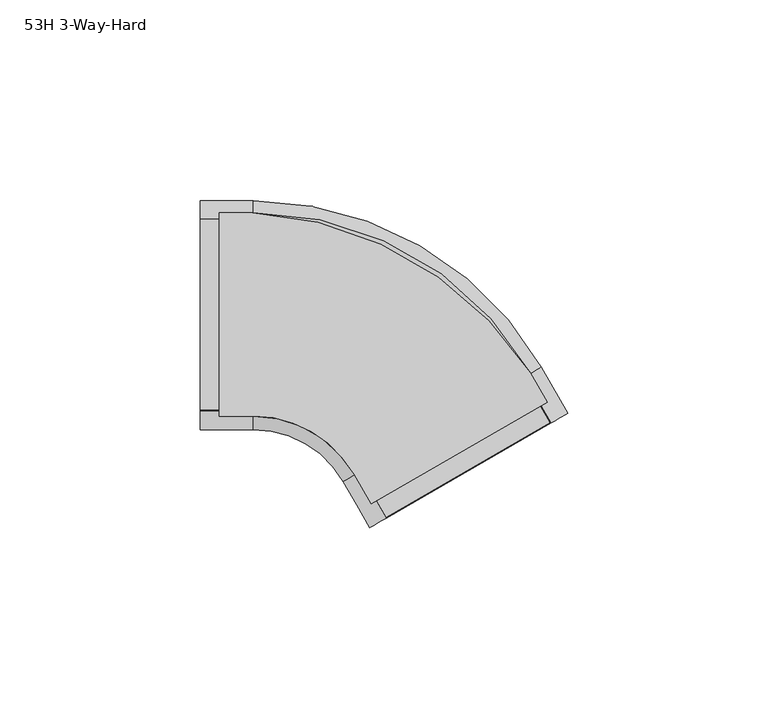
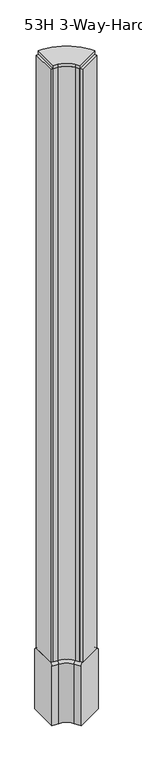
"""IFC4 building model written with IfcOpenShell, lengths in millimetres: furniture geometry, 53H 3-Way-Hard."""

from ifc_helpers import new_model, si_unit, point, frame, frame_2d, origin, place, context, project, spatial, polyline, circle_curve, ellipse_curve, trimmed, segment, composite_curve, outline, extrude, source, transform, mapped, element, save
from ifc_brep_helpers import plane_surface, cylinder_surface, revolved_surface, advanced_brep


def furniture_53h_3_way_hard_14ad21e1(model_context):
    return source(origin(), model_context, "Body", "SolidModel", [
        extrude(outline(composite_curve([segment(polyline([(-14.1882794, -43.9640936), (-14.1882794, 6.8346353), (-5.9764445, 6.8346353)]), True, "CONTINUOUS"), segment(trimmed(circle_curve(frame_2d((-10.3326443, -81.1701554)), 88.1125397), [point((-5.9764445, 6.8346353))], [point((63.5288834, -33.1254431))], False, "CARTESIAN"), True, "CONTINUOUS"), segment(polyline([(63.5288834, -33.1254431), (67.7822532, -40.4924949), (23.7892581, -65.8917068), (19.5217897, -58.5001895)]), True, "CONTINUOUS"), segment(trimmed(circle_curve(frame_2d((-5.6553897, -73.0361517)), 29.0720581), [point((19.5217897, -58.5001895))], [point((-5.6553897, -43.9640936))], True, "CARTESIAN"), True, "CONTINUOUS"), segment(polyline([(-5.6553897, -43.9640936), (-14.1882794, -43.9640936)]), True, "CONTINUOUS")], self_intersect=False)), frame((0.0, 0.0, 1349.3749758), z_axis=(0.0, 0.0, 1.0), x_axis=(1.0, 0.0, 0.0)), (0.0, 0.0, 1.0), 6.3500242),
        extrude(outline(polyline([(-18.9507794, -42.3784982), (-18.9507794, 5.2465003), (-9.4257794, 5.2465003), (-9.4257794, -42.3784982), (-18.9507794, -42.3784982)])), frame((0.0, 0.0, 136.525), z_axis=(0.0, 0.0, 1.0), x_axis=(1.0, 0.0, 0.0)), (0.0, 0.0, 1.0), 1212.8499758),
        extrude(outline(polyline([(27.5653931, -69.2108177), (22.8028927, -60.961925), (63.7025477, -37.3484981), (68.4650475, -45.5973898), (27.5653931, -69.2108177)])), frame((0.0, 0.0, 136.525), z_axis=(0.0, 0.0, 1.0), x_axis=(1.0, 0.0, 0.0)), (0.0, 0.0, 1.0), 1212.8499758),
        advanced_brep(
        [(27.5653928, -69.2108171, 136.525), (23.4409468, -71.5920671, 130.96875), (23.4409468, -71.5920671, 9.525), (72.9342974, -43.0170679, 9.525), (72.9342974, -43.0170679, 130.96875), (68.8098513, -45.3983179, 136.525), (20.9315746, -57.720707, 136.525), (16.8071287, -60.101957, 130.96875), (16.8071287, -60.101957, 9.525), (-5.6419106, -47.1409982, 9.525), (-18.9507794, -47.1409982, 9.525), (-18.9507794, 10.0090004, 9.525), (-5.6419106, 10.0090004, 9.525), (66.3004793, -31.5269578, 9.525), (66.3004793, -31.5269578, 130.96875), (62.1760331, -33.9082078, 136.525), (-5.6419106, 5.2465003, 136.525), (-18.9507794, 5.2465003, 136.525), (-18.9507794, -42.3784982, 136.525), (-5.6419106, -42.3784982, 136.525), (-5.6419106, -47.1409982, 130.96875), (-5.6419106, 10.0090004, 130.96875), (-18.9507794, 10.0090004, 130.96875), (-18.9507794, -47.1409982, 130.96875)],
        [
            (0, 1, circle_curve(frame((28.3100844, -68.7808692, 130.96875), z_axis=(0.4999999999999956, -0.8660254037844412, 0.0), x_axis=(-0.8660254037844412, -0.4999999999999956, 0.0)), 5.6223958)),
            (1, 2),
            (2, 3),
            (3, 4),
            (4, 5, circle_curve(frame((68.0651598, -45.8282658, 130.96875), z_axis=(0.4999999999999956, -0.8660254037844412, 0.0), x_axis=(-0.8660254037844412, -0.4999999999999956, 0.0)), 5.6223958)),
            (5, 0),
            (0, 6),
            (6, 7, circle_curve(frame((21.6762663, -57.2907591, 130.96875), z_axis=(0.4999999999999956, -0.8660254037844412, 0.0), x_axis=(-0.8660254037844412, -0.4999999999999956, 0.0)), 5.6223958)),
            (7, 1),
            (7, 8),
            (8, 2),
            (8, 9, circle_curve(frame((-5.6419106, -73.0629159, 9.525), z_axis=(0.0, 0.0, 1.0), x_axis=(0.8660254037844412, 0.49999999999999556, 0.0)), 25.9219178)),
            (9, 10),
            (10, 11),
            (11, 12),
            (12, 13, circle_curve(frame((-5.6419106, -73.0629159, 9.525), z_axis=(0.0, 0.0, -1.0), x_axis=(0.8660254037844412, 0.49999999999999556, 0.0)), 83.0719163)),
            (13, 3),
            (13, 14),
            (14, 4),
            (14, 15, circle_curve(frame((61.4313417, -34.3381557, 130.96875), z_axis=(0.4999999999999956, -0.8660254037844412, 0.0), x_axis=(-0.8660254037844412, -0.4999999999999956, 0.0)), 5.6223958)),
            (15, 5),
            (15, 16, circle_curve(frame((-5.6419106, -73.0629159, 136.525), z_axis=(0.0, 0.0, 1.0), x_axis=(0.8660254037844412, 0.49999999999999556, 0.0)), 78.3094162)),
            (16, 17),
            (17, 18),
            (18, 19),
            (19, 6, circle_curve(frame((-5.6419106, -73.0629159, 136.525), z_axis=(0.0, 0.0, -1.0), x_axis=(0.8660254037844412, 0.49999999999999556, 0.0)), 30.6844178)),
            (20, 7, circle_curve(frame((-5.6419106, -73.0629159, 130.96875), z_axis=(0.0, 0.0, -1.0), x_axis=(0.8660254037844412, 0.49999999999999556, 0.0)), 25.9219178)),
            (19, 20, circle_curve(frame((-5.6419106, -41.5186023, 130.96875), z_axis=(1.0, 0.0, 0.0), x_axis=(0.0, -1.0, 0.0)), 5.6223958)),
            (20, 9),
            (21, 14, circle_curve(frame((-5.6419106, -73.0629159, 130.96875), z_axis=(0.0, 0.0, -1.0), x_axis=(0.8660254037844412, 0.49999999999999556, 0.0)), 83.0719163)),
            (12, 21),
            (21, 16, circle_curve(frame((-5.6419106, 4.3866046, 130.96875), z_axis=(1.0, 0.0, 0.0), x_axis=(0.0, -1.0, 0.0)), 5.6223958)),
            (17, 22, circle_curve(frame((-18.9507794, 4.3866046, 130.96875), z_axis=(-1.0, 0.0, 0.0), x_axis=(0.0, -1.0, 0.0)), 5.6223958)),
            (22, 11),
            (10, 23),
            (23, 18, circle_curve(frame((-18.9507794, -41.5186023, 130.96875), z_axis=(-1.0, 0.0, 0.0), x_axis=(0.0, -1.0, 0.0)), 5.6223958)),
            (23, 20),
            (22, 21),
        ],
        [
            plane_surface(frame((48.1876221, -57.3045675, 136.525), z_axis=(0.4999999999999956, -0.8660254037844412, 0.0), x_axis=(0.0, 0.0, 1.0))),
            cylinder_surface(frame((28.3100844, -68.7808692, 130.96875), z_axis=(0.4999999999999956, -0.8660254037844412, 0.0), x_axis=(-0.8660254037844412, -0.4999999999999956, 0.0)), 5.6223958),
            plane_surface(frame((23.4409468, -71.5920671, 130.96875), z_axis=(-0.8660254037844409, -0.49999999999999595, 0.0), x_axis=(-0.49999999999999595, 0.8660254037844409, 0.0))),
            plane_surface(frame((23.4409468, -71.5920671, 9.525), z_axis=(0.0, 0.0, -1.0), x_axis=(-0.49999999999999817, 0.8660254037844397, 0.0))),
            plane_surface(frame((72.9342974, -43.0170679, 9.525), z_axis=(0.8660254037844392, 0.4999999999999991, 0.0), x_axis=(-0.4999999999999991, 0.8660254037844392, 0.0))),
            cylinder_surface(frame((68.0651598, -45.8282658, 130.96875), z_axis=(0.4999999999999956, -0.8660254037844412, 0.0), x_axis=(-0.8660254037844412, -0.4999999999999956, 0.0)), 5.6223958),
            plane_surface(frame((68.8098513, -45.3983179, 136.525), z_axis=(0.0, 0.0, 1.0000000000000002), x_axis=(-0.49999999999999617, 0.8660254037844409, 0.0))),
            revolved_surface(trimmed(ellipse_curve(frame((21.6762663, -57.2907591, 130.96875), z_axis=(0.4999999999999957, -0.866025403784441, 0.0), x_axis=(-0.866025403784441, -0.4999999999999957, 0.0)), 5.6223958, 5.6223958), [point((20.9315746, -57.720707, 136.525))], [point((16.8071287, -60.101957, 130.96875))], True, "CARTESIAN"), (-5.6419106, -73.0629159, 136.525), (0.0, 0.0, 1.0)),
            revolved_surface(polyline([(16.807128729612092, -60.10195700000011, 130.96875), (16.807128729612092, -60.10195700000011, 9.525000000000006)]), (-5.6419106, -73.0629159, 136.525), (0.0, 0.0, 1.0)),
            cylinder_surface(frame((-5.6419106, -73.0629159, 136.525), z_axis=(0.0, 0.0, 1.0), x_axis=(0.8660254037844412, 0.49999999999999556, 0.0)), 83.0719163),
            revolved_surface(trimmed(ellipse_curve(frame((61.4313417, -34.3381557, 130.96875), z_axis=(0.4999999999999957, -0.866025403784441, 0.0), x_axis=(-0.866025403784441, -0.4999999999999957, 0.0)), 5.6223958, 5.6223958), [point((66.3004793, -31.5269578, 130.96875))], [point((62.1760331, -33.9082078, 136.525))], True, "CARTESIAN"), (-5.6419106, -73.0629159, 136.525), (0.0, 0.0, 1.0)),
            plane_surface(frame((-18.9507794, -18.5659989, 136.525), z_axis=(-1.0, 0.0, 0.0), x_axis=(0.0, 0.0, 1.0))),
            cylinder_surface(frame((-5.6419106, -41.5186023, 130.96875), z_axis=(1.0, 0.0, 0.0), x_axis=(0.0, -1.0, 0.0)), 5.6223958),
            plane_surface(frame((-5.6419106, -47.1409982, 130.96875), z_axis=(0.0, -1.0, 0.0), x_axis=(-1.0, 0.0, 0.0))),
            plane_surface(frame((-5.6419106, 10.0090004, 9.525), z_axis=(0.0, 1.0, 0.0), x_axis=(-1.0, 0.0, 0.0))),
            cylinder_surface(frame((-5.6419106, 4.3866046, 130.96875), z_axis=(1.0, 0.0, 0.0), x_axis=(0.0, -1.0, 0.0)), 5.6223958),
        ],
        [
            (0, [[1, 2, 3, 4, 5, 6]]),
            (1, [[-1, 7, 8, 9]]),
            (2, [[-2, -9, 10, 11]]),
            (3, [[-3, -11, 12, 13, 14, 15, 16, 17]]),
            (4, [[-4, -17, 18, 19]]),
            (5, [[-5, -19, 20, 21]]),
            (6, [[-6, -21, 22, 23, 24, 25, 26, -7]]),
            (7, [[27, -8, -26, 28]]),
            (8, [[-12, -10, -27, 29]]),
            (9, [[30, -18, -16, 31]]),
            (10, [[-22, -20, -30, 32]]),
            (11, [[-24, 33, 34, -14, 35, 36]]),
            (12, [[-28, -25, -36, 37]]),
            (13, [[-29, -37, -35, -13]]),
            (14, [[-31, -15, -34, 38]]),
            (15, [[-32, -38, -33, -23]]),
        ],
    ),
        extrude(outline(composite_curve([segment(polyline([(23.7892581, -65.8917068), (19.5359767, -58.5247622)]), True, "CONTINUOUS"), segment(trimmed(circle_curve(frame_2d((-5.6837877, -73.0853107)), 29.1212308), [point((19.5359767, -58.5247622))], [point((-5.6554669, -43.9640936))], True, "CARTESIAN"), True, "CONTINUOUS"), segment(polyline([(-5.6554669, -43.9640936), (-14.1882794, -43.9640936), (-14.1882794, 6.8346353), (-5.6554669, 6.8346353)]), True, "CONTINUOUS"), segment(trimmed(circle_curve(frame_2d((-5.6840149, -73.0855326)), 79.920173), [point((-5.6554669, 6.8346353))], [point((63.5288834, -33.1254431))], False, "CARTESIAN"), True, "CONTINUOUS"), segment(polyline([(63.5288834, -33.1254431), (67.7822532, -40.4924949), (23.7892581, -65.8917068)]), True, "CONTINUOUS")], self_intersect=False)), frame((0.0, 0.0, 136.525), z_axis=(0.0, 0.0, 1.0), x_axis=(1.0, 0.0, 0.0)), (0.0, 0.0, 1.0), 1212.8499758),
    ])


if __name__ == "__main__":
    model = new_model("IFC4")
    model_context = context("Model", 3, world=origin())
    ifc_project = project(units=[si_unit("LENGTHUNIT", "METRE", prefix="MILLI")], contexts=[model_context])
    site = spatial("IfcSite", under=ifc_project)
    building = spatial("IfcBuilding", under=site)
    placement = place(None, origin())
    furniture_53h_3_way_hard_shape = furniture_53h_3_way_hard_14ad21e1(model_context)
    element("IfcFurniture", 1, ObjectType="53H 3-Way-Hard", at=placement, inside=building, context=model_context, shape_type="MappedRepresentation", body=[
        mapped(furniture_53h_3_way_hard_shape, transform((0.0, 0.0, 0.0), x_axis=(1.0, 0.0, 0.0), y_axis=(0.0, 1.0, 0.0), z_axis=(0.0, 0.0, 1.0))),
    ])
    save(model, "model.ifc")
